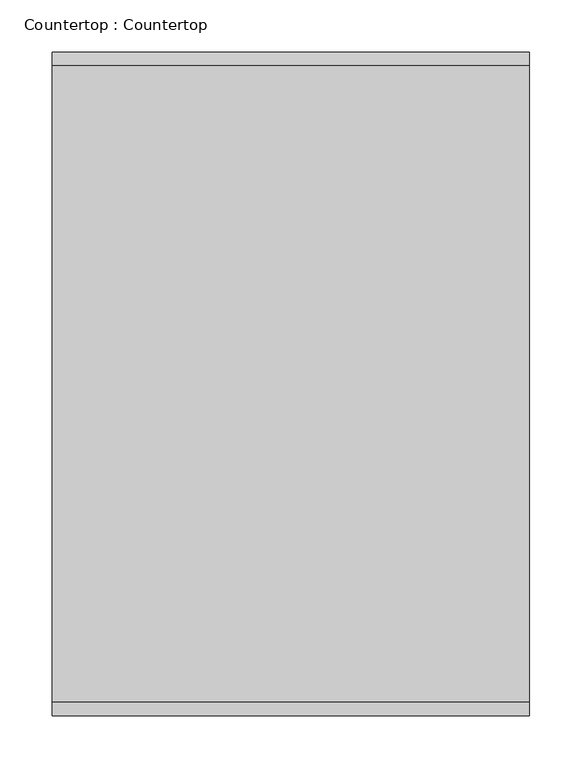
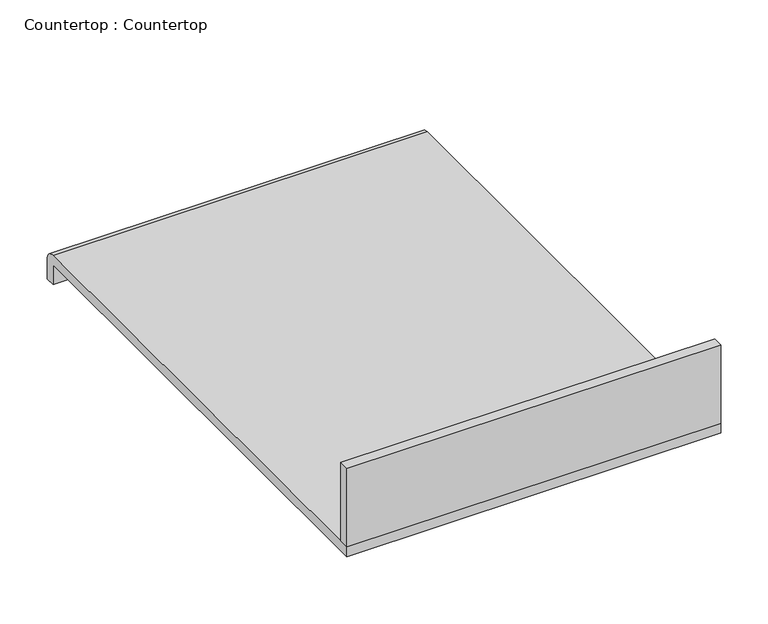
"""IFC4 building model written with IfcOpenShell, lengths in millimetres: proxy geometry, Countertop : Countertop."""

import ifcopenshell
import ifcopenshell.guid

model = None  # the IFC model being written
_history = None  # IfcOwnerHistory: only IFC2X3 demands one
_inside = {}  # id of a spatial element -> (the spatial element, [elements in it])
_under = {}  # id of a project, library or spatial element -> (it, [spatial elements below it])
_declared = {}  # id of a project -> (the project, [libraries it declares])
_typed = {}  # id of a type object -> (the type object, [elements of that type])
_made_of = {}  # id of a material, layer set ... -> (it, [elements and type objects made of it])


def new_model(schema):
    """Start an empty IFC model of exactly this schema.

    Asked for "IFC4X3", IfcOpenShell would pick the latest addendum, in which some entities
    have other attributes; the version numbers below select the first issue.
    IFC2X3 requires an IfcOwnerHistory on every rooted entity: one is made here for all.
    """
    global model, _history
    if schema == "IFC4X3":
        model = ifcopenshell.file(schema_version=(4, 3, 0, 0))
    else:
        model = ifcopenshell.file(schema=schema)
    _inside.clear()
    _under.clear()
    _declared.clear()
    _typed.clear()
    _made_of.clear()
    _history = None
    if model.schema == "IFC2X3":
        org = make("IfcOrganization", Name="unknown")
        user = make(
            "IfcPersonAndOrganization",
            ThePerson=make("IfcPerson", FamilyName="unknown"),
            TheOrganization=org,
        )
        app = make(
            "IfcApplication",
            ApplicationDeveloper=org,
            Version="unknown",
            ApplicationFullName="unknown",
            ApplicationIdentifier="unknown",
        )
        _history = make(
            "IfcOwnerHistory",
            OwningUser=user,
            OwningApplication=app,
            ChangeAction="ADDED",
            CreationDate=0,
        )
    return model


def make(cls, **values):
    """One entity of the class cls with the attributes given. An attribute that is None is left unset."""
    return model.create_entity(
        cls, **{name: value for name, value in values.items() if value is not None}
    )


def rooted(cls, **values):
    """An entity with a GlobalId (a new one), such as an element, a storey or a relation."""
    return make(cls, GlobalId=ifcopenshell.guid.new(), OwnerHistory=_history, **values)


def si_unit(unit_type, name, prefix=None):
    """IfcSIUnit, for example si_unit("LENGTHUNIT", "METRE", prefix="MILLI")."""
    return make("IfcSIUnit", UnitType=unit_type, Prefix=prefix, Name=name)


def assignment(units):
    """IfcUnitAssignment: the units of a project."""
    return None if units is None else make("IfcUnitAssignment", Units=units)


def point(xyz):
    """IfcCartesianPoint."""
    return None if xyz is None else make("IfcCartesianPoint", Coordinates=xyz)


def direction(xyz):
    """IfcDirection."""
    return None if xyz is None else make("IfcDirection", DirectionRatios=xyz)


def frame(location, z_axis=None, x_axis=None):
    """IfcAxis2Placement3D, a coordinate frame: its origin and axes. An axis left out is left unset."""
    return make(
        "IfcAxis2Placement3D",
        Location=point(location),
        Axis=direction(z_axis),
        RefDirection=direction(x_axis),
    )


def frame_2d(location, x_axis=None):
    """IfcAxis2Placement2D, a coordinate frame in the plane: its origin and x axis."""
    return make(
        "IfcAxis2Placement2D", Location=point(location), RefDirection=direction(x_axis)
    )


def origin():
    """The frame at (0, 0, 0) with its axes left unset."""
    return frame((0.0, 0.0, 0.0))


def place(relative_to, where):
    """IfcLocalPlacement: puts the frame where relative to a parent placement (None: the world)."""
    return make(
        "IfcLocalPlacement", PlacementRelTo=relative_to, RelativePlacement=where
    )


def context(
    kind, dimensions, precision=None, world=None, true_north=None, identifier=None
):
    """IfcGeometricRepresentationContext, for example the 3D "Model" context."""
    return make(
        "IfcGeometricRepresentationContext",
        ContextIdentifier=identifier,
        ContextType=kind,
        CoordinateSpaceDimension=dimensions,
        Precision=precision,
        WorldCoordinateSystem=world,
        TrueNorth=true_north,
    )


def project(units=None, contexts=None):
    """IfcProject with its units and contexts."""
    return rooted(
        "IfcProject",
        Name="project",
        RepresentationContexts=contexts,
        UnitsInContext=assignment(units),
    )


def spatial(cls, under=None, at=None, **own):
    """A site, building, storey or space (cls), placed at a placement, below another one or the project."""
    s = rooted(cls, ObjectPlacement=at, **own)
    if under is not None:
        _under.setdefault(under.id(), (under, []))[1].append(s)
    return s


def polyline(points):
    """IfcPolyline through the points."""
    return make("IfcPolyline", Points=[point(p) for p in points])


def circle_curve(where, radius):
    """IfcCircle in the frame where."""
    return make("IfcCircle", Position=where, Radius=radius)


def trimmed(basis, trim1, trim2, sense, master):
    """IfcTrimmedCurve: the piece of a basis curve between two trims."""
    return make(
        "IfcTrimmedCurve",
        BasisCurve=basis,
        Trim1=trim1,
        Trim2=trim2,
        SenseAgreement=sense,
        MasterRepresentation=master,
    )


def segment(curve, same_sense, transition):
    """IfcCompositeCurveSegment."""
    return make(
        "IfcCompositeCurveSegment",
        Transition=transition,
        SameSense=same_sense,
        ParentCurve=curve,
    )


def composite_curve(segments, self_intersect=None):
    """IfcCompositeCurve: segments joined end to end."""
    return make("IfcCompositeCurve", Segments=segments, SelfIntersect=self_intersect)


def outline(outer, holes=None, kind="AREA"):
    """IfcArbitraryClosedProfileDef: a profile drawn as a closed curve; with holes, ...WithVoids."""
    if holes is None:
        return make("IfcArbitraryClosedProfileDef", ProfileType=kind, OuterCurve=outer)
    return make(
        "IfcArbitraryProfileDefWithVoids",
        ProfileType=kind,
        OuterCurve=outer,
        InnerCurves=holes,
    )


def extrude(swept, where, along, depth):
    """IfcExtrudedAreaSolid: the profile swept, set in the frame where, extruded along a direction by depth."""
    return make(
        "IfcExtrudedAreaSolid",
        SweptArea=swept,
        Position=where,
        ExtrudedDirection=direction(along),
        Depth=depth,
    )


def shape(context_of_items, identifier, shape_type, items):
    """IfcShapeRepresentation: the items that make up one representation, for example the "Body"."""
    return make(
        "IfcShapeRepresentation",
        ContextOfItems=context_of_items,
        RepresentationIdentifier=identifier,
        RepresentationType=shape_type,
        Items=items,
    )


def source(mapping_origin, context_of_items, identifier, shape_type, items):
    """IfcRepresentationMap: a shape defined once, which mapped items show again and again."""
    return make(
        "IfcRepresentationMap",
        MappingOrigin=mapping_origin,
        MappedRepresentation=shape(context_of_items, identifier, shape_type, items),
    )


def transform(
    local_origin,
    x_axis=None,
    y_axis=None,
    z_axis=None,
    scale=None,
    scale2=None,
    scale3=None,
    uniform=True,
):
    """IfcCartesianTransformationOperator3D, or its non-uniform kind. x_axis, y_axis, z_axis: its Axis1, 2, 3."""
    if uniform:
        return make(
            "IfcCartesianTransformationOperator3D",
            Axis1=direction(x_axis),
            Axis2=direction(y_axis),
            LocalOrigin=point(local_origin),
            Scale=scale,
            Axis3=direction(z_axis),
        )
    return make(
        "IfcCartesianTransformationOperator3DnonUniform",
        Axis1=direction(x_axis),
        Axis2=direction(y_axis),
        LocalOrigin=point(local_origin),
        Scale=scale,
        Axis3=direction(z_axis),
        Scale2=scale2,
        Scale3=scale3,
    )


def mapped(mapping_source, mapping_target):
    """IfcMappedItem: shows the shape of a source again, moved by a transform."""
    return make(
        "IfcMappedItem", MappingSource=mapping_source, MappingTarget=mapping_target
    )


def made_of(thing, what):
    """Note that an element or type object is made of a material, layer set ...; save() writes the relation."""
    if what is not None:
        _made_of.setdefault(what.id(), (what, []))[1].append(thing)
    return thing


def element(
    cls,
    number,
    at=None,
    inside=None,
    cuts=None,
    type_object=None,
    material=None,
    context=None,
    identifier="Body",
    shape_type=None,
    held_by="IfcProductDefinitionShape",
    body=None,
    shapes=None,
    **own,
):
    """One element of the class cls, such as IfcWall. Its Tag is "e" and its number.

    at: its placement. inside: the storey or other place that contains it. cuts: it is an
    opening in that element (IfcRelVoidsElement). A single representation is given by context,
    identifier, shape_type and body (its items); several are given by shapes. held_by: the class
    of the entity that holds the representations. save() writes the other relations.
    """
    e = rooted(cls, Tag="e%d" % number, ObjectPlacement=at, **own)
    if body is not None:
        shapes = [shape(context, identifier, shape_type, body)]
    if shapes is not None:
        e.Representation = make(held_by, Representations=shapes)
    if inside is not None:
        _inside.setdefault(inside.id(), (inside, []))[1].append(e)
    if cuts is not None:
        rooted(
            "IfcRelVoidsElement", RelatingBuildingElement=cuts, RelatedOpeningElement=e
        )
    if type_object is not None:
        _typed.setdefault(type_object.id(), (type_object, []))[1].append(e)
    return made_of(e, material)


def aggregate(whole, parts):
    """IfcRelAggregates: a whole, such as a stair, and the parts it consists of."""
    return rooted("IfcRelAggregates", RelatingObject=whole, RelatedObjects=parts)


def save(model, path):
    """Write the relations noted so far, then the file.

    IfcRelAggregates (storeys below a building ...), IfcRelContainedInSpatialStructure (elements
    in a storey), IfcRelDefinesByType, IfcRelAssociatesMaterial and IfcRelDeclares: one each for
    every whole, place, type object, material and project.
    """
    for whole, parts in _under.values():
        aggregate(whole, parts)
    for where, things in _inside.values():
        rooted(
            "IfcRelContainedInSpatialStructure",
            RelatedElements=things,
            RelatingStructure=where,
        )
    for kind, things in _typed.values():
        rooted("IfcRelDefinesByType", RelatedObjects=things, RelatingType=kind)
    for what, things in _made_of.values():
        rooted("IfcRelAssociatesMaterial", RelatedObjects=things, RelatingMaterial=what)
    for by, libraries in _declared.values():
        rooted("IfcRelDeclares", RelatingContext=by, RelatedDefinitions=libraries)
    model.write(path)


def countertop_countertop_a872d276(model_context):
    return source(origin(), model_context, "Body", "SweptSolid", [
        extrude(outline(polyline([(457.2, 0.0), (0.0, 0.0), (0.0, 12.7), (457.2, 12.7), (457.2, 0.0)])), frame((0.0, 0.0, 863.6), z_axis=(0.0, 0.0, 1.0), x_axis=(1.0, 0.0, 0.0)), (0.0, 0.0, 1.0), 101.6),
        extrude(outline(composite_curve([segment(trimmed(circle_curve(frame_2d((622.3, 850.9)), 12.7), [point((622.3, 863.6))], [point((635.0, 850.9))], False, "CARTESIAN"), True, "CONTINUOUS"), segment(polyline([(635.0, 850.9), (635.0, 825.5), (622.3, 825.5), (622.3, 850.9), (0.0, 850.9), (0.0, 863.6), (622.3, 863.6)]), True, "CONTINUOUS")], self_intersect=False)), frame((0.0, 0.0, 0.0), z_axis=(1.0, 0.0, 0.0), x_axis=(0.0, 1.0, 0.0)), (0.0, 0.0, 1.0), 457.2),
    ])


if __name__ == "__main__":
    model = new_model("IFC4")
    model_context = context("Model", 3, world=origin())
    ifc_project = project(units=[si_unit("LENGTHUNIT", "METRE", prefix="MILLI")], contexts=[model_context])
    site = spatial("IfcSite", under=ifc_project)
    building = spatial("IfcBuilding", under=site)
    placement = place(None, origin())
    countertop_countertop_shape = countertop_countertop_a872d276(model_context)
    element("IfcBuildingElementProxy", 1, Name="Countertop : Countertop", ObjectType="Countertop : Countertop", at=placement, inside=building, context=model_context, shape_type="MappedRepresentation", body=[
        mapped(countertop_countertop_shape, transform((0.0, 0.0, 0.0), x_axis=(1.0, 0.0, 0.0), y_axis=(0.0, 1.0, 0.0), z_axis=(0.0, 0.0, 1.0))),
    ])
    save(model, "model.ifc")
